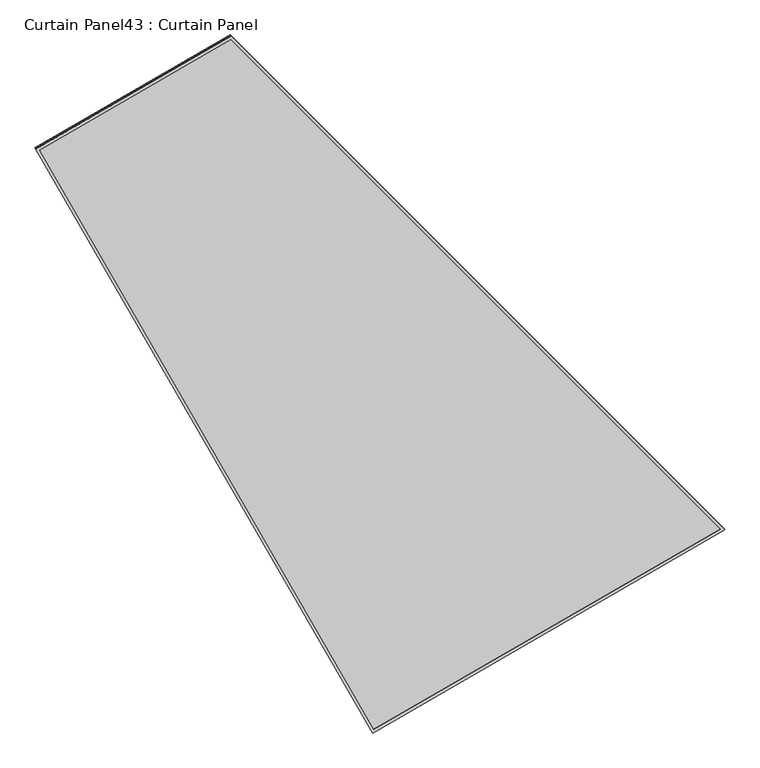
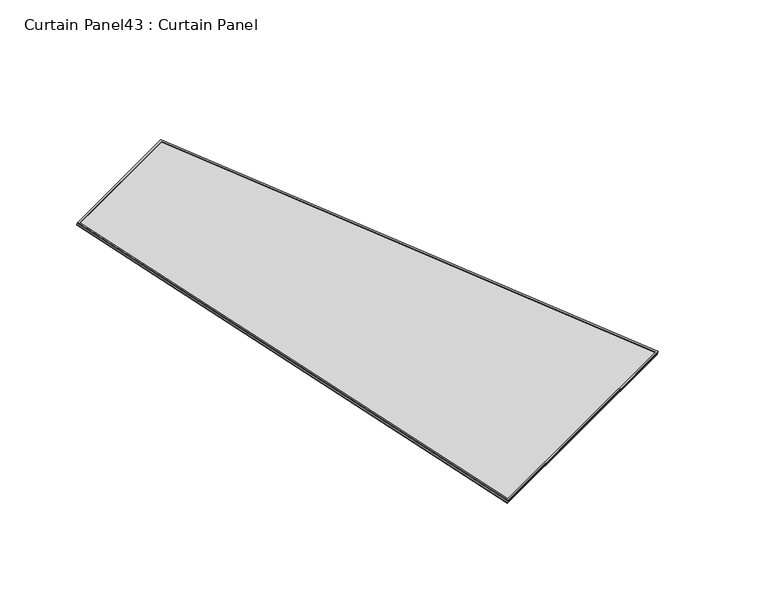
"""IFC4 building model written with IfcOpenShell, lengths in millimetres: plate geometry, Curtain Panel43 : Curtain Panel."""

from ifc_helpers import new_model, si_unit, frame, origin, place, context, project, spatial, polyline, outline, extrude, source, transform, mapped, element, save


def curtain_panel43_curtain_panel_06e53fc6(model_context):
    return source(origin(), model_context, "Body", "SweptSolid", [
        extrude(outline(polyline([(1625.9225981, -2842.276264), (722.5243658, -2842.2762639), (0.0, 0.0), (1625.9225981, 1e-07), (1625.9225981, -2842.276264)]), holes=[polyline([(1614.8100981, -11.1124999), (14.2907959, -11.1124999), (731.165428, -2831.1637639), (1614.8100981, -2831.1637639), (1614.8100981, -11.1124999)])]), frame((19137.6257196, -5532.3586512, -25.8753228), z_axis=(0.1580729119869031, -0.2737903148616856, 0.9487106081329121), x_axis=(-0.8660254037844433, -0.4999999999999921, 0.0)), (0.0, 0.0, 1.0), 4.77096),
        extrude(outline(polyline([(1625.9225981, -2842.276264), (722.5243658, -2842.276264), (0.0, 0.0), (1625.922598, 0.0), (1625.9225981, -2842.276264)]), holes=[polyline([(1614.810098, -11.1125), (14.2907959, -11.1125), (731.165428, -2831.163764), (1614.810098, -2831.163764), (1614.810098, -11.1125)])]), frame((19140.4121276, -5537.1848515, -9.1520602), z_axis=(0.15807291198690254, -0.27379031486168404, 0.9487106081329126), x_axis=(-0.8660254037844433, -0.4999999999999921, 0.0)), (0.0, 0.0, 1.0), 4.8414543),
        extrude(outline(polyline([(25.6727144, 0.0), (1651.5953125, 0.0), (1651.5953125, -2842.2762639), (748.1970802, -2842.276264), (25.6727144, 0.0)])), frame((19160.613102, -5520.8285367, -21.3490624), z_axis=(0.15807291198690068, -0.2737903148616807, 0.948710608132914), x_axis=(-0.8660254037844428, -0.49999999999999306, 0.0)), (0.0, 0.0, 1.0), 12.8563991),
    ])


if __name__ == "__main__":
    model = new_model("IFC4")
    model_context = context("Model", 3, world=origin())
    ifc_project = project(units=[si_unit("LENGTHUNIT", "METRE", prefix="MILLI")], contexts=[model_context])
    site = spatial("IfcSite", under=ifc_project)
    building = spatial("IfcBuilding", under=site)
    placement = place(None, origin())
    curtain_panel43_curtain_panel_shape = curtain_panel43_curtain_panel_06e53fc6(model_context)
    element("IfcPlate", 1, ObjectType="Curtain Panel43 : Curtain Panel", at=placement, inside=building, context=model_context, shape_type="MappedRepresentation", body=[
        mapped(curtain_panel43_curtain_panel_shape, transform((0.0, 0.0, 0.0), x_axis=(1.0, 0.0, 0.0), y_axis=(0.0, 1.0, 0.0), z_axis=(0.0, 0.0, 1.0))),
    ])
    save(model, "model.ifc")
